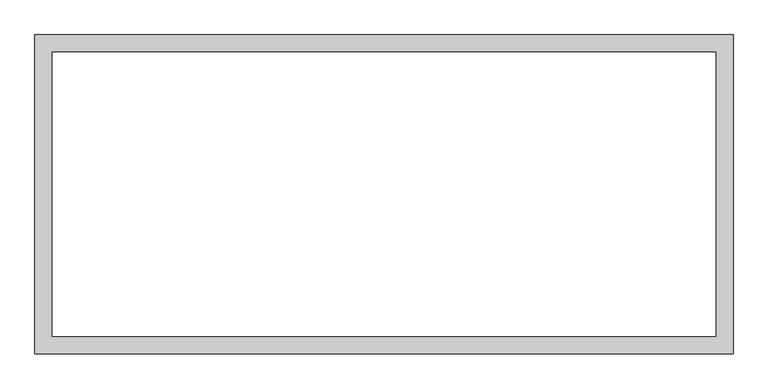
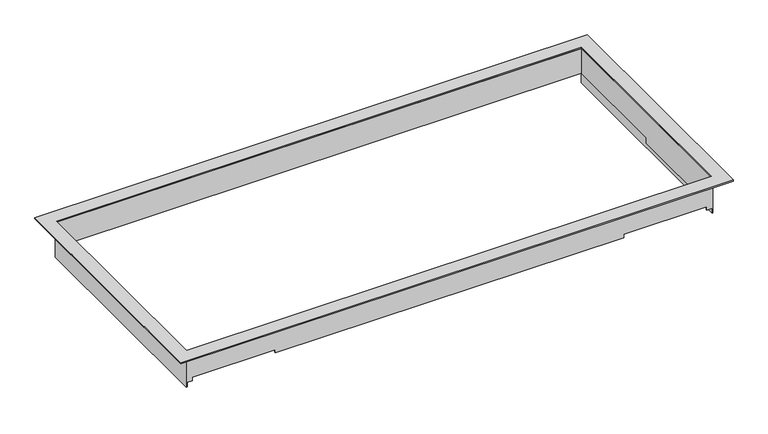
"""IFC4 building model written with IfcOpenShell, lengths in millimetres: proxy geometry."""

from ifc_helpers import new_model, si_unit, origin, origin_with_axes, place, context, project, spatial, polyline, outline, extrude, faceted_brep, source, transform, mapped, element, save


def generic_models_d47cdab6(model_context):
    return source(origin(), model_context, "Body", "SolidModel", [
        faceted_brep([(485.6607, 209.0928, -68.3030291), (485.6607, -209.29346, -68.3030291), (484.8733, -209.29346, -68.3030291), (484.8733, 209.0928, -68.3030291), (-485.6607, -209.29346, -68.3030291), (-485.6607, 209.0928, -68.3030291), (-484.1113, 209.0928, -68.3030291), (-484.1113, -209.29346, -68.3030291), (-485.6607, 209.0928, 0.0), (-485.6607, -209.29346, 0.0), (485.6607, -209.29346, 0.0), (485.6607, 209.0928, 0.0), (-484.1113, 207.6958, 0.0), (484.1113, 207.6958, 0.0), (484.1113, -207.6958, 0.0), (-484.1113, -207.6958, 0.0), (-484.1113, 207.6958, -48.4935691), (484.1113, 207.6958, -48.4935691), (484.1113, 0.0, -48.4935691), (484.1113, 0.0, -58.9329691), (484.1113, -207.6958, -58.9329691), (474.9204141, -207.6958, -58.9329691), (474.9204141, -207.6958, -52.246371), (321.4217222, -207.6958, -52.246371), (321.4217222, -207.6958, -58.9329691), (-321.4217222, -207.6958, -58.9329691), (-321.4217222, -207.6958, -52.246371), (-474.9458141, -207.6958, -52.246371), (-474.9458141, -207.6958, -58.9329691), (-484.1113, -207.6958, -58.9329691), (-484.1113, -209.29346, -58.9329691), (-484.1113, 209.0928, -48.4935691), (-474.9458141, -209.29346, -58.9329691), (-474.9458141, -209.29346, -52.246371), (-321.4217222, -209.29346, -52.246371), (-321.4217222, -209.29346, -58.9329691), (321.4217222, -209.29346, -58.9329691), (321.4217222, -209.29346, -52.246371), (474.9204141, -209.29346, -52.246371), (474.9204141, -209.29346, -58.9329691), (484.8733, -209.29346, -58.9329691), (484.8733, 209.0928, -48.4935691), (484.8733, 0.0, -48.4935691), (484.8733, 0.0, -58.9329691)], [[[0, 1, 2, 3]], [[4, 5, 6, 7]], [[8, 9, 10, 11], [12, 13, 14, 15]], [[13, 12, 16, 17]], [[14, 13, 17, 18, 19, 20]], [[15, 14, 20, 21, 22, 23, 24, 25, 26, 27, 28, 29]], [[12, 15, 29, 30, 7, 6, 31, 16]], [[5, 4, 9, 8]], [[10, 9, 4, 7, 30, 32, 33, 34, 35, 36, 37, 38, 39, 40, 2, 1]], [[1, 0, 11, 10]], [[8, 11, 0, 3, 41, 31, 6, 5]], [[18, 42, 43, 19]], [[42, 18, 17, 16, 31, 41]], [[42, 41, 3, 2, 40, 43]], [[26, 34, 33, 27]], [[27, 33, 32, 28]], [[30, 29, 28, 32]], [[43, 40, 39, 21, 20, 19]], [[21, 39, 38, 22]], [[22, 38, 37, 23]], [[23, 37, 36, 24]], [[24, 36, 35, 25]], [[34, 26, 25, 35]]]),
        extrude(outline(polyline([(-509.5113, 233.09326), (509.5113, 233.09326), (509.5113, -233.14406), (-509.5113, -233.14406), (-509.5113, 233.09326)]), holes=[polyline([(-484.1113, 207.6958), (-484.1113, -207.6958), (484.1113, -207.6958), (484.1113, 207.6958), (-484.1113, 207.6958)])]), origin_with_axes(), (0.0, 0.0, 1.0), 2.286),
    ])


if __name__ == "__main__":
    model = new_model("IFC4")
    model_context = context("Model", 3, world=origin())
    ifc_project = project(units=[si_unit("LENGTHUNIT", "METRE", prefix="MILLI")], contexts=[model_context])
    site = spatial("IfcSite", under=ifc_project)
    building = spatial("IfcBuilding", under=site)
    placement = place(None, origin())
    generic_models_shape = generic_models_d47cdab6(model_context)
    element("IfcBuildingElementProxy", 1, Name="Generic Models", at=placement, inside=building, context=model_context, shape_type="MappedRepresentation", body=[
        mapped(generic_models_shape, transform((0.0, 0.0, 0.0), x_axis=(1.0, 0.0, 0.0), y_axis=(0.0, 1.0, 0.0), z_axis=(0.0, 0.0, 1.0))),
    ])
    save(model, "model.ifc")
